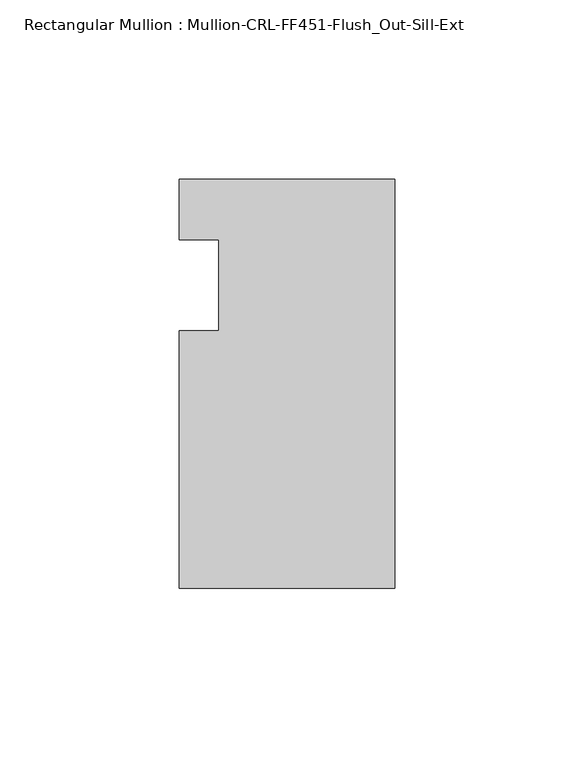
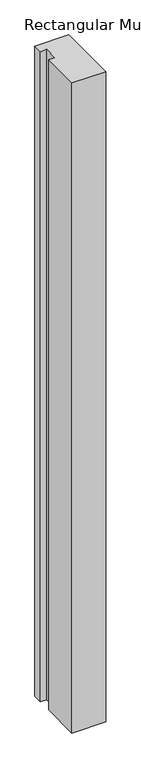
"""IFC4 building model written with IfcOpenShell, lengths in millimetres: member geometry, Rectangular Mullion : Mullion-CRL-FF451-Flush_Out-Sill-Ext."""

from ifc_helpers import new_model, si_unit, frame, origin, place, context, project, spatial, polyline, outline, extrude, source, transform, mapped, element, save


def rectangular_mullion_mullion_crl_ff451_flush_out_sill_ext_3d36d932(model_context):
    return source(origin(), model_context, "Body", "SweptSolid", [
        extrude(outline(polyline([(-60.325, -84.6650108), (-60.325, -12.7), (-49.222241, -12.7), (-49.222241, 12.7), (-60.325, 12.7), (-60.325, 29.6349892), (0.0, 29.6349892), (0.0, -84.6650108), (-60.325, -84.6650108)])), frame((0.0, 0.0, -1227.5840916), z_axis=(0.0, 0.0, 1.0), x_axis=(1.0, 0.0, 0.0)), (0.0, 0.0, 1.0), 1227.5840916),
    ])


if __name__ == "__main__":
    model = new_model("IFC4")
    model_context = context("Model", 3, world=origin())
    ifc_project = project(units=[si_unit("LENGTHUNIT", "METRE", prefix="MILLI")], contexts=[model_context])
    site = spatial("IfcSite", under=ifc_project)
    building = spatial("IfcBuilding", under=site)
    placement = place(None, origin())
    rectangular_mullion_mullion_crl_ff451_flush_out_sill_ext_shape = rectangular_mullion_mullion_crl_ff451_flush_out_sill_ext_3d36d932(model_context)
    element("IfcMember", 1, ObjectType="Rectangular Mullion : Mullion-CRL-FF451-Flush_Out-Sill-Ext", at=placement, inside=building, context=model_context, shape_type="MappedRepresentation", body=[
        mapped(rectangular_mullion_mullion_crl_ff451_flush_out_sill_ext_shape, transform((0.0, 0.0, 0.0), x_axis=(1.0, 0.0, 0.0), y_axis=(0.0, 1.0, 0.0), z_axis=(0.0, 0.0, 1.0))),
    ])
    save(model, "model.ifc")
